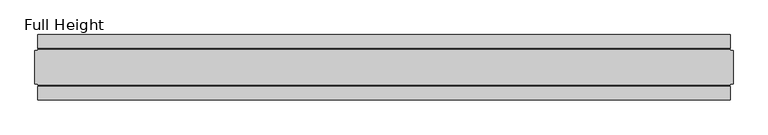
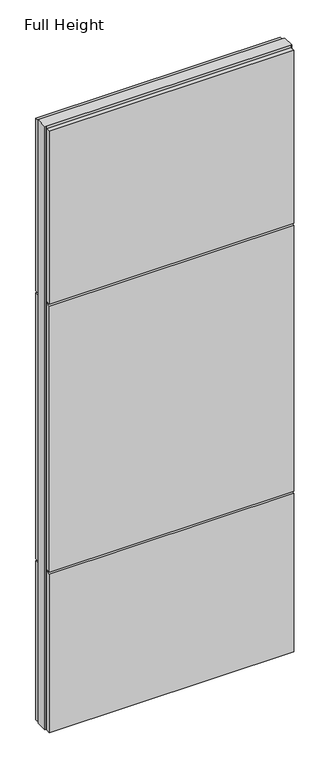
"""IFC4 building model written with IfcOpenShell, lengths in millimetres: plate geometry, Full Height."""

from ifc_helpers import new_model, si_unit, frame, origin, origin_with_axes, place, context, project, spatial, polyline, outline, extrude, source, transform, mapped, element, save


def full_height_251b8795(model_context):
    return source(origin(), model_context, "Body", "SweptSolid", [
        extrude(outline(polyline([(525.6932405, 28.956), (-525.6932405, 28.956), (-525.6932405, 49.53), (525.6932405, 49.53), (525.6932405, 28.956)])), frame((0.0, 0.0, 1949.196), z_axis=(0.0, 0.0, 1.0), x_axis=(1.0, 0.0, 0.0)), (0.0, 0.0, 1.0), 784.86),
        extrude(outline(polyline([(525.6932405, 28.956), (-525.6932405, 28.956), (-525.6932405, 49.53), (525.6932405, 49.53), (525.6932405, 28.956)])), frame((0.0, 0.0, 729.996), z_axis=(0.0, 0.0, 1.0), x_axis=(1.0, 0.0, 0.0)), (0.0, 0.0, 1.0), 1210.056),
        extrude(outline(polyline([(525.6932405, 28.956), (-525.6932405, 28.956), (-525.6932405, 49.53), (525.6932405, 49.53), (525.6932405, 28.956)])), origin_with_axes(), (0.0, 0.0, 1.0), 720.852),
        extrude(outline(polyline([(525.6932405, -28.956), (525.6932405, -49.53), (-525.6932405, -49.53), (-525.6932405, -28.956), (525.6932405, -28.956)])), frame((0.0, 0.0, 1949.196), z_axis=(0.0, 0.0, 1.0), x_axis=(1.0, 0.0, 0.0)), (0.0, 0.0, 1.0), 784.86),
        extrude(outline(polyline([(525.6932405, -28.956), (525.6932405, -49.53), (-525.6932405, -49.53), (-525.6932405, -28.956), (525.6932405, -28.956)])), frame((0.0, 0.0, 729.996), z_axis=(0.0, 0.0, 1.0), x_axis=(1.0, 0.0, 0.0)), (0.0, 0.0, 1.0), 1210.056),
        extrude(outline(polyline([(525.6932405, -28.956), (525.6932405, -49.53), (-525.6932405, -49.53), (-525.6932405, -28.956), (525.6932405, -28.956)])), origin_with_axes(), (0.0, 0.0, 1.0), 720.852),
        extrude(outline(polyline([(525.6932405, -25.146), (525.6932405, -26.67), (-525.6932405, -26.67), (-525.6932405, -25.146), (-530.2652405, -25.146), (-530.2652405, 25.146), (-525.6932405, 25.146), (-525.6932405, 26.67), (525.6932405, 26.67), (525.6932405, 25.146), (530.2652405, 25.146), (530.2652405, -25.146), (525.6932405, -25.146)])), origin_with_axes(), (0.0, 0.0, 1.0), 2743.2),
    ])


if __name__ == "__main__":
    model = new_model("IFC4")
    model_context = context("Model", 3, world=origin())
    ifc_project = project(units=[si_unit("LENGTHUNIT", "METRE", prefix="MILLI")], contexts=[model_context])
    site = spatial("IfcSite", under=ifc_project)
    building = spatial("IfcBuilding", under=site)
    placement = place(None, origin())
    full_height_shape = full_height_251b8795(model_context)
    element("IfcPlate", 1, ObjectType="Full Height", at=placement, inside=building, context=model_context, shape_type="MappedRepresentation", body=[
        mapped(full_height_shape, transform((0.0, 0.0, 0.0), x_axis=(1.0, 0.0, 0.0), y_axis=(0.0, 1.0, 0.0), z_axis=(0.0, 0.0, 1.0))),
    ])
    save(model, "model.ifc")
